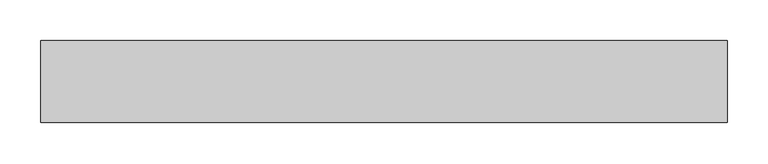
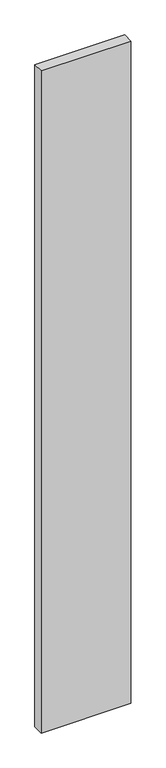
"""IFC4 building model written with IfcOpenShell, lengths in millimetres: proxy geometry."""

from ifc_helpers import new_model, si_unit, frame, origin, place, context, project, spatial, polyline, outline, extrude, source, transform, mapped, element, save


def generic_models_8da81926(model_context):
    return source(origin(), model_context, "Body", "SweptSolid", [
        extrude(outline(polyline([(840.0, 100.0), (840.0, 0.0), (0.0, 0.0), (0.0, 100.0), (840.0, 100.0)])), frame((0.0, 0.0, -6550.0), z_axis=(0.0, 0.0, 1.0), x_axis=(1.0, 0.0, 0.0)), (0.0, 0.0, 1.0), 6550.0),
    ])


if __name__ == "__main__":
    model = new_model("IFC4")
    model_context = context("Model", 3, world=origin())
    ifc_project = project(units=[si_unit("LENGTHUNIT", "METRE", prefix="MILLI")], contexts=[model_context])
    site = spatial("IfcSite", under=ifc_project)
    building = spatial("IfcBuilding", under=site)
    placement = place(None, origin())
    generic_models_shape = generic_models_8da81926(model_context)
    element("IfcBuildingElementProxy", 1, Name="Generic Models", at=placement, inside=building, context=model_context, shape_type="MappedRepresentation", body=[
        mapped(generic_models_shape, transform((0.0, 0.0, 0.0), x_axis=(1.0, 0.0, 0.0), y_axis=(0.0, 1.0, 0.0), z_axis=(0.0, 0.0, 1.0))),
    ])
    save(model, "model.ifc")
